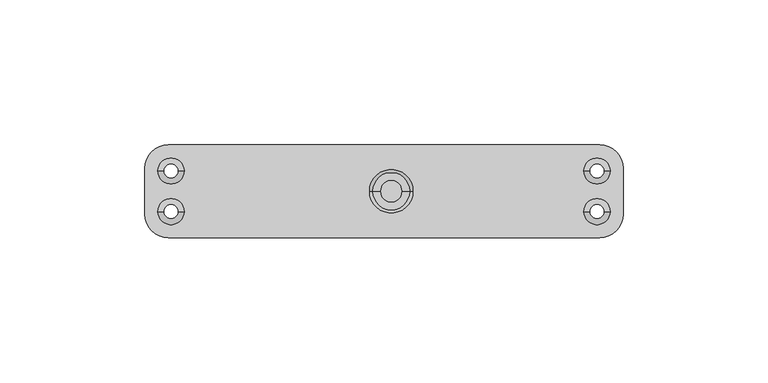
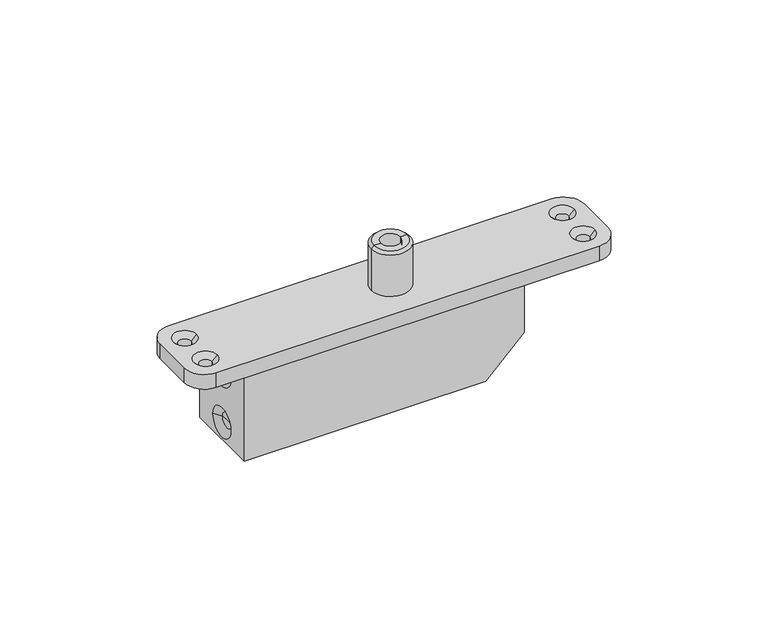
"""IFC4 building model written with IfcOpenShell, lengths in millimetres: proxy geometry."""

from ifc_helpers import new_model, si_unit, frame, origin, place, context, project, spatial, polyline, circle_curve, source, transform, mapped, element, save
from ifc_brep_helpers import plane_surface, cylinder_surface, revolved_surface, advanced_brep


def generic_models_6b751063(model_context):
    return source(origin(), model_context, "Body", "AdvancedBrep", [
        advanced_brep(
        [(-65.6, -15.0, -41.0), (28.4, -15.0, -41.0), (43.4, -15.0, -26.0), (43.4, -15.0, -6.0), (-65.6, -15.0, -6.0), (-65.6, 15.0, -41.0), (-65.6, 15.0, -6.0), (43.4, 15.0, -6.0), (43.4, 15.0, -26.0), (28.4, 15.0, -41.0), (-65.6, -6.0, -13.0320818), (-65.6, 6.0, -13.0320818), (-65.6, -6.0, -34.0), (-65.6, 6.0, -34.0), (-63.6, -3.0, -13.0320818), (-63.6, 0.0, -13.0320818), (-63.6, 3.0, -13.0320818), (-63.6, -3.0, -34.0), (-63.6, 0.0, -34.0), (-63.6, 3.0, -34.0)],
        [
            (0, 1),
            (1, 2),
            (2, 3),
            (3, 4),
            (4, 0),
            (5, 6),
            (6, 7),
            (7, 8),
            (8, 9),
            (9, 5),
            (0, 5),
            (9, 1),
            (8, 2),
            (7, 3),
            (6, 4),
            (10, 11, circle_curve(frame((-65.6, 0.0, -13.0320818), z_axis=(1.0, 0.0, 0.0), x_axis=(0.0, 1.0, 0.0)), 6.0)),
            (11, 10, circle_curve(frame((-65.6, 0.0, -13.0320818), z_axis=(1.0, 0.0, 0.0), x_axis=(0.0, 1.0, 0.0)), 6.0)),
            (12, 13, circle_curve(frame((-65.6, 0.0, -34.0), z_axis=(1.0, 0.0, 0.0), x_axis=(0.0, 1.0, 0.0)), 6.0)),
            (13, 12, circle_curve(frame((-65.6, 0.0, -34.0), z_axis=(1.0, 0.0, 0.0), x_axis=(0.0, 1.0, 0.0)), 6.0)),
            (14, 15),
            (15, 16),
            (16, 14, circle_curve(frame((-63.6, 0.0, -13.0320818), z_axis=(-1.0, 0.0, 0.0), x_axis=(0.0, 1.0, 0.0)), 3.0)),
            (14, 16, circle_curve(frame((-63.6, 0.0, -13.0320818), z_axis=(-1.0, 0.0, 0.0), x_axis=(0.0, 1.0, 0.0)), 3.0)),
            (16, 11),
            (10, 14),
            (17, 18),
            (18, 19),
            (19, 17, circle_curve(frame((-63.6, 0.0, -34.0), z_axis=(-1.0, 0.0, 0.0), x_axis=(0.0, 1.0, 0.0)), 3.0)),
            (17, 19, circle_curve(frame((-63.6, 0.0, -34.0), z_axis=(-1.0, 0.0, 0.0), x_axis=(0.0, 1.0, 0.0)), 3.0)),
            (19, 13),
            (12, 17),
        ],
        [
            plane_surface(frame((-65.6, -15.0, -41.0), z_axis=(0.0, -1.0, 0.0), x_axis=(1.0, 0.0, 0.0))),
            plane_surface(frame((-65.6, 15.0, -41.0), z_axis=(0.0, 1.0, 0.0), x_axis=(-1.0, 0.0, 0.0))),
            plane_surface(frame((-65.6, -15.0, -41.0), z_axis=(0.0, 0.0, -1.0), x_axis=(0.0, 1.0, 0.0))),
            plane_surface(frame((28.4, -15.0, -41.0), z_axis=(0.7071067811865471, 0.0, -0.7071067811865479), x_axis=(0.0, 1.0, 0.0))),
            plane_surface(frame((43.4, -15.0, -26.0), z_axis=(1.0, 0.0, 0.0), x_axis=(0.0, 1.0, 0.0))),
            plane_surface(frame((43.4, -15.0, -6.0), z_axis=(0.0, 0.0, 1.0), x_axis=(0.0, 1.0, 0.0))),
            plane_surface(frame((-65.6, -15.0, -6.0), z_axis=(-1.0, 0.0, 0.0), x_axis=(0.0, 1.0, 0.0))),
            plane_surface(frame((-63.6, 0.0, -13.0320818), z_axis=(-1.0, 0.0, 0.0), x_axis=(0.0, 1.0, 0.0))),
            revolved_surface(polyline([(-65.6, 6.0, -13.0320818), (-63.6, 3.0, -13.0320818)]), (-80.0717314, 0.0, -13.0320818), (-1.0, 0.0, 0.0)),
            plane_surface(frame((-63.6, 0.0, -34.0), z_axis=(-1.0, 0.0, 0.0), x_axis=(0.0, 1.0, 0.0))),
            revolved_surface(polyline([(-65.6, 6.0, -34.0), (-63.6, 3.0, -34.0)]), (-80.0717314, 0.0, -34.0), (-1.0, 0.0, 0.0)),
        ],
        [
            (0, [[1, 2, 3, 4, 5]]),
            (1, [[6, 7, 8, 9, 10]]),
            (2, [[-1, 11, -10, 12]]),
            (3, [[-2, -12, -9, 13]]),
            (4, [[-3, -13, -8, 14]]),
            (5, [[-4, -14, -7, 15]]),
            (6, [[-5, -15, -6, -11], [16, 17], [18, 19]]),
            (7, [[20, 21, 22]]),
            (7, [[-20, 23, -21]]),
            (8, [[-22, 24, -16, 25]]),
            (8, [[-23, -25, -17, -24]]),
            (9, [[26, 27, 28]]),
            (9, [[-26, 29, -27]]),
            (10, [[-28, 30, -18, 31]]),
            (10, [[-29, -31, -19, -30]]),
        ],
    ),
        advanced_brep(
        [(7.5, 0.0, 17.0), (-7.5, 0.0, 17.0), (-6.5, 0.0, 18.0), (6.5, 0.0, 18.0), (7.5, 0.0, 0.0), (-7.5, 0.0, 0.0), (3.75, 0.0, 0.0), (-3.75, 0.0, 0.0), (3.75, 0.0, 18.0), (-3.75, 0.0, 18.0)],
        [
            (0, 1, circle_curve(frame((0.0, 0.0, 17.0), z_axis=(0.0, 0.0, 1.0), x_axis=(-1.0, 0.0, 0.0)), 7.5)),
            (1, 2),
            (2, 3, circle_curve(frame((0.0, 0.0, 18.0), z_axis=(0.0, 0.0, -1.0), x_axis=(-1.0, 0.0, 0.0)), 6.5)),
            (3, 0),
            (1, 0, circle_curve(frame((0.0, 0.0, 17.0), z_axis=(0.0, 0.0, 1.0), x_axis=(-1.0, 0.0, 0.0)), 7.5)),
            (3, 2, circle_curve(frame((0.0, 0.0, 18.0), z_axis=(0.0, 0.0, -1.0), x_axis=(-1.0, 0.0, 0.0)), 6.5)),
            (4, 5, circle_curve(frame((0.0, 0.0, 0.0), z_axis=(0.0, 0.0, 1.0), x_axis=(-1.0, 0.0, 0.0)), 7.5)),
            (5, 1),
            (0, 4),
            (5, 4, circle_curve(frame((0.0, 0.0, 0.0), z_axis=(0.0, 0.0, 1.0), x_axis=(-1.0, 0.0, 0.0)), 7.5)),
            (6, 7, circle_curve(frame((0.0, 0.0, 0.0), z_axis=(0.0, 0.0, 1.0), x_axis=(-1.0, 0.0, 0.0)), 3.75)),
            (7, 5),
            (4, 6),
            (7, 6, circle_curve(frame((0.0, 0.0, 0.0), z_axis=(0.0, 0.0, 1.0), x_axis=(-1.0, 0.0, 0.0)), 3.75)),
            (8, 9, circle_curve(frame((0.0, 0.0, 18.0), z_axis=(0.0, 0.0, 1.0), x_axis=(-1.0, 0.0, 0.0)), 3.75)),
            (9, 7),
            (6, 8),
            (9, 8, circle_curve(frame((0.0, 0.0, 18.0), z_axis=(0.0, 0.0, 1.0), x_axis=(-1.0, 0.0, 0.0)), 3.75)),
            (2, 9),
            (8, 3),
        ],
        [
            revolved_surface(polyline([(-6.5, 0.0, 18.0), (-7.5, 0.0, 17.0)]), (0.0, 0.0, 22.7266465), (0.0, 0.0, -1.0)),
            cylinder_surface(frame((0.0, 0.0, 22.7266465), z_axis=(0.0, 0.0, -1.0), x_axis=(-1.0, 0.0, 0.0)), 7.5),
            plane_surface(frame((0.0, 0.0, 0.0), z_axis=(0.0, 0.0, -1.0), x_axis=(-1.0, 0.0, 0.0))),
            revolved_surface(polyline([(-3.75, 0.0, 0.0), (-3.75, 0.0, 18.0)]), (0.0, 0.0, 22.7266465), (0.0, 0.0, -1.0)),
            plane_surface(frame((0.0, 0.0, 18.0), z_axis=(0.0, 0.0, 1.0), x_axis=(-1.0, 0.0, 0.0))),
        ],
        [
            (0, [[1, 2, 3, 4]]),
            (0, [[5, -4, 6, -2]]),
            (1, [[7, 8, -1, 9]]),
            (1, [[10, -9, -5, -8]]),
            (2, [[11, 12, -7, 13]]),
            (2, [[14, -13, -10, -12]]),
            (3, [[15, 16, -11, 17]]),
            (3, [[18, -17, -14, -16]]),
            (4, [[-3, 19, -15, 20]]),
            (4, [[-6, -20, -18, -19]]),
        ],
    ),
        advanced_brep(
        [(-77.0, -16.0, -6.0), (72.0, -16.0, -6.0), (72.0, -16.0, 0.0), (-77.0, -16.0, 0.0), (-77.0, 16.0, 0.0), (72.0, 16.0, 0.0), (72.0, 16.0, -6.0), (-77.0, 16.0, -6.0), (-85.0, -8.0, 0.0), (-85.0, 8.0, 0.0), (-85.0, 8.0, -6.0), (-85.0, -8.0, -6.0), (80.0, -8.0, 0.0), (80.0, 8.0, 0.0), (-80.5, -7.0, 0.0), (-71.5, -7.0, 0.0), (-80.5, 7.0, 0.0), (-71.5, 7.0, 0.0), (66.5, -7.0, 0.0), (75.5, -7.0, 0.0), (66.5, 7.0, 0.0), (75.5, 7.0, 0.0), (80.0, -8.0, -6.0), (80.0, 8.0, -6.0), (-73.5, -7.0, -6.0), (-78.5, -7.0, -6.0), (-73.5, 7.0, -6.0), (-78.5, 7.0, -6.0), (73.5, -7.0, -6.0), (68.5, -7.0, -6.0), (73.5, 7.0, -6.0), (68.5, 7.0, -6.0), (-73.5, -7.0, -2.0), (-78.5, -7.0, -2.0), (-73.5, 7.0, -2.0), (-78.5, 7.0, -2.0), (73.5, -7.0, -2.0), (68.5, -7.0, -2.0), (73.5, 7.0, -2.0), (68.5, 7.0, -2.0)],
        [
            (0, 1),
            (1, 2),
            (2, 3),
            (3, 0),
            (4, 5),
            (5, 6),
            (6, 7),
            (7, 4),
            (8, 9),
            (9, 10),
            (10, 11),
            (11, 8),
            (2, 12, circle_curve(frame((72.0, -8.0, 0.0), z_axis=(0.0, 0.0, 1.0), x_axis=(-1.0, 0.0, 0.0)), 8.0)),
            (12, 13),
            (13, 5, circle_curve(frame((72.0, 8.0, 0.0), z_axis=(0.0, 0.0, 1.0), x_axis=(-1.0, 0.0, 0.0)), 8.0)),
            (4, 9, circle_curve(frame((-77.0, 8.0, 0.0), z_axis=(0.0, 0.0, 1.0), x_axis=(1.0, 0.0, 0.0)), 8.0)),
            (8, 3, circle_curve(frame((-77.0, -8.0, 0.0), z_axis=(0.0, 0.0, 1.0), x_axis=(1.0, 0.0, 0.0)), 8.0)),
            (14, 15, circle_curve(frame((-76.0, -7.0, 0.0), z_axis=(0.0, 0.0, -1.0), x_axis=(-1.0, 0.0, 0.0)), 4.5)),
            (15, 14, circle_curve(frame((-76.0, -7.0, 0.0), z_axis=(0.0, 0.0, -1.0), x_axis=(-1.0, 0.0, 0.0)), 4.5)),
            (16, 17, circle_curve(frame((-76.0, 7.0, 0.0), z_axis=(0.0, 0.0, -1.0), x_axis=(-1.0, 0.0, 0.0)), 4.5)),
            (17, 16, circle_curve(frame((-76.0, 7.0, 0.0), z_axis=(0.0, 0.0, -1.0), x_axis=(-1.0, 0.0, 0.0)), 4.5)),
            (18, 19, circle_curve(frame((71.0, -7.0, 0.0), z_axis=(0.0, 0.0, -1.0), x_axis=(-1.0, 0.0, 0.0)), 4.5)),
            (19, 18, circle_curve(frame((71.0, -7.0, 0.0), z_axis=(0.0, 0.0, -1.0), x_axis=(-1.0, 0.0, 0.0)), 4.5)),
            (20, 21, circle_curve(frame((71.0, 7.0, 0.0), z_axis=(0.0, 0.0, -1.0), x_axis=(-1.0, 0.0, 0.0)), 4.5)),
            (21, 20, circle_curve(frame((71.0, 7.0, 0.0), z_axis=(0.0, 0.0, -1.0), x_axis=(-1.0, 0.0, 0.0)), 4.5)),
            (12, 22),
            (22, 23),
            (23, 13),
            (0, 11, circle_curve(frame((-77.0, -8.0, -6.0), z_axis=(0.0, 0.0, -1.0), x_axis=(1.0, 0.0, 0.0)), 8.0)),
            (10, 7, circle_curve(frame((-77.0, 8.0, -6.0), z_axis=(0.0, 0.0, -1.0), x_axis=(1.0, 0.0, 0.0)), 8.0)),
            (6, 23, circle_curve(frame((72.0, 8.0, -6.0), z_axis=(0.0, 0.0, -1.0), x_axis=(-1.0, 0.0, 0.0)), 8.0)),
            (22, 1, circle_curve(frame((72.0, -8.0, -6.0), z_axis=(0.0, 0.0, -1.0), x_axis=(-1.0, 0.0, 0.0)), 8.0)),
            (24, 25, circle_curve(frame((-76.0, -7.0, -6.0), z_axis=(0.0, 0.0, 1.0), x_axis=(-1.0, 0.0, 0.0)), 2.5)),
            (25, 24, circle_curve(frame((-76.0, -7.0, -6.0), z_axis=(0.0, 0.0, 1.0), x_axis=(-1.0, 0.0, 0.0)), 2.5)),
            (26, 27, circle_curve(frame((-76.0, 7.0, -6.0), z_axis=(0.0, 0.0, 1.0), x_axis=(-1.0, 0.0, 0.0)), 2.5)),
            (27, 26, circle_curve(frame((-76.0, 7.0, -6.0), z_axis=(0.0, 0.0, 1.0), x_axis=(-1.0, 0.0, 0.0)), 2.5)),
            (28, 29, circle_curve(frame((71.0, -7.0, -6.0), z_axis=(0.0, 0.0, 1.0), x_axis=(-1.0, 0.0, 0.0)), 2.5)),
            (29, 28, circle_curve(frame((71.0, -7.0, -6.0), z_axis=(0.0, 0.0, 1.0), x_axis=(-1.0, 0.0, 0.0)), 2.5)),
            (30, 31, circle_curve(frame((71.0, 7.0, -6.0), z_axis=(0.0, 0.0, 1.0), x_axis=(-1.0, 0.0, 0.0)), 2.5)),
            (31, 30, circle_curve(frame((71.0, 7.0, -6.0), z_axis=(0.0, 0.0, 1.0), x_axis=(-1.0, 0.0, 0.0)), 2.5)),
            (32, 15),
            (14, 33),
            (33, 32, circle_curve(frame((-76.0, -7.0, -2.0), z_axis=(0.0, 0.0, -1.0), x_axis=(-1.0, 0.0, 0.0)), 2.5)),
            (32, 33, circle_curve(frame((-76.0, -7.0, -2.0), z_axis=(0.0, 0.0, -1.0), x_axis=(-1.0, 0.0, 0.0)), 2.5)),
            (33, 25),
            (24, 32),
            (34, 17),
            (16, 35),
            (35, 34, circle_curve(frame((-76.0, 7.0, -2.0), z_axis=(0.0, 0.0, -1.0), x_axis=(-1.0, 0.0, 0.0)), 2.5)),
            (34, 35, circle_curve(frame((-76.0, 7.0, -2.0), z_axis=(0.0, 0.0, -1.0), x_axis=(-1.0, 0.0, 0.0)), 2.5)),
            (35, 27),
            (26, 34),
            (36, 19),
            (18, 37),
            (37, 36, circle_curve(frame((71.0, -7.0, -2.0), z_axis=(0.0, 0.0, -1.0), x_axis=(-1.0, 0.0, 0.0)), 2.5)),
            (36, 37, circle_curve(frame((71.0, -7.0, -2.0), z_axis=(0.0, 0.0, -1.0), x_axis=(-1.0, 0.0, 0.0)), 2.5)),
            (37, 29),
            (28, 36),
            (38, 21),
            (20, 39),
            (39, 38, circle_curve(frame((71.0, 7.0, -2.0), z_axis=(0.0, 0.0, -1.0), x_axis=(-1.0, 0.0, 0.0)), 2.5)),
            (38, 39, circle_curve(frame((71.0, 7.0, -2.0), z_axis=(0.0, 0.0, -1.0), x_axis=(-1.0, 0.0, 0.0)), 2.5)),
            (39, 31),
            (30, 38),
        ],
        [
            plane_surface(frame((-62.0, -16.0, -6.0), z_axis=(0.0, -1.0, 0.0), x_axis=(1.0, 0.0, 0.0))),
            plane_surface(frame((-62.0, 16.0, -6.0), z_axis=(0.0, 1.0, 0.0), x_axis=(-1.0, 0.0, 0.0))),
            plane_surface(frame((-85.0, -16.0, 0.0), z_axis=(-1.0, 0.0, 0.0), x_axis=(0.0, 1.0, 0.0))),
            plane_surface(frame((80.0, -16.0, 0.0), z_axis=(0.0, 0.0, 1.0), x_axis=(0.0, 1.0, 0.0))),
            plane_surface(frame((80.0, -16.0, -6.0), z_axis=(1.0, 0.0, 0.0), x_axis=(0.0, 1.0, 0.0))),
            plane_surface(frame((-85.0, -16.0, -6.0), z_axis=(0.0, 0.0, -1.0), x_axis=(0.0, 1.0, 0.0))),
            cylinder_surface(frame((-77.0, -8.0, -7.0), z_axis=(0.0, 0.0, -1.0), x_axis=(1.0, 0.0, 0.0)), 8.0),
            cylinder_surface(frame((-77.0, 8.0, 0.0), z_axis=(0.0, 0.0, -1.0), x_axis=(1.0, 0.0, 0.0)), 8.0),
            cylinder_surface(frame((72.0, -8.0, 0.0), z_axis=(0.0, 0.0, -1.0), x_axis=(-1.0, 0.0, 0.0)), 8.0),
            cylinder_surface(frame((72.0, 8.0, 0.0), z_axis=(0.0, 0.0, -1.0), x_axis=(-1.0, 0.0, 0.0)), 8.0),
            revolved_surface(polyline([(-78.5, -7.0, -2.0), (-80.5, -7.0, 0.0)]), (-76.0, -7.0, -7.0), (0.0, 0.0, -1.0)),
            revolved_surface(polyline([(-78.5, -7.0, -6.0), (-78.5, -7.0, -2.0)]), (-76.0, -7.0, -7.0), (0.0, 0.0, -1.0)),
            revolved_surface(polyline([(-78.5, 7.0, -2.0), (-80.5, 7.0, 0.0)]), (-76.0, 7.0, -7.0), (0.0, 0.0, -1.0)),
            revolved_surface(polyline([(-78.5, 7.0, -6.0), (-78.5, 7.0, -2.0)]), (-76.0, 7.0, -7.0), (0.0, 0.0, -1.0)),
            revolved_surface(polyline([(68.5, -7.0, -2.0), (66.5, -7.0, 0.0)]), (71.0, -7.0, -7.0), (0.0, 0.0, -1.0)),
            revolved_surface(polyline([(68.5, -7.0, -6.0), (68.5, -7.0, -2.0)]), (71.0, -7.0, -7.0), (0.0, 0.0, -1.0)),
            revolved_surface(polyline([(68.5, 7.0, -2.0), (66.5, 7.0, 0.0)]), (71.0, 7.0, -7.0), (0.0, 0.0, -1.0)),
            revolved_surface(polyline([(68.5, 7.0, -6.0), (68.5, 7.0, -2.0)]), (71.0, 7.0, -7.0), (0.0, 0.0, -1.0)),
        ],
        [
            (0, [[1, 2, 3, 4]]),
            (1, [[5, 6, 7, 8]]),
            (2, [[9, 10, 11, 12]]),
            (3, [[-3, 13, 14, 15, -5, 16, -9, 17], [18, 19], [20, 21], [22, 23], [24, 25]]),
            (4, [[-14, 26, 27, 28]]),
            (5, [[-1, 29, -11, 30, -7, 31, -27, 32], [33, 34], [35, 36], [37, 38], [39, 40]]),
            (6, [[-4, -17, -12, -29]]),
            (7, [[-8, -30, -10, -16]]),
            (8, [[-2, -32, -26, -13]]),
            (9, [[-6, -15, -28, -31]]),
            (10, [[41, -18, 42, 43]]),
            (10, [[-41, 44, -42, -19]]),
            (11, [[-43, 45, -33, 46]]),
            (11, [[-44, -46, -34, -45]]),
            (12, [[47, -20, 48, 49]]),
            (12, [[-47, 50, -48, -21]]),
            (13, [[-49, 51, -35, 52]]),
            (13, [[-50, -52, -36, -51]]),
            (14, [[53, -22, 54, 55]]),
            (14, [[-53, 56, -54, -23]]),
            (15, [[-55, 57, -37, 58]]),
            (15, [[-56, -58, -38, -57]]),
            (16, [[59, -24, 60, 61]]),
            (16, [[-59, 62, -60, -25]]),
            (17, [[-61, 63, -39, 64]]),
            (17, [[-62, -64, -40, -63]]),
        ],
    ),
    ])


if __name__ == "__main__":
    model = new_model("IFC4")
    model_context = context("Model", 3, world=origin())
    ifc_project = project(units=[si_unit("LENGTHUNIT", "METRE", prefix="MILLI")], contexts=[model_context])
    site = spatial("IfcSite", under=ifc_project)
    building = spatial("IfcBuilding", under=site)
    placement = place(None, origin())
    generic_models_shape = generic_models_6b751063(model_context)
    element("IfcBuildingElementProxy", 1, Name="Generic Models", at=placement, inside=building, context=model_context, shape_type="MappedRepresentation", body=[
        mapped(generic_models_shape, transform((0.0, 0.0, 0.0), x_axis=(1.0, 0.0, 0.0), y_axis=(0.0, 1.0, 0.0), z_axis=(0.0, 0.0, 1.0))),
    ])
    save(model, "model.ifc")
